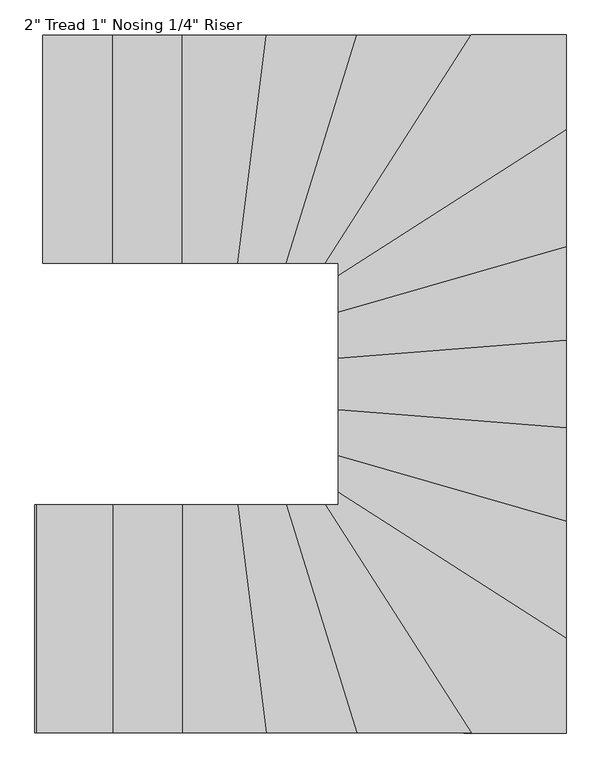
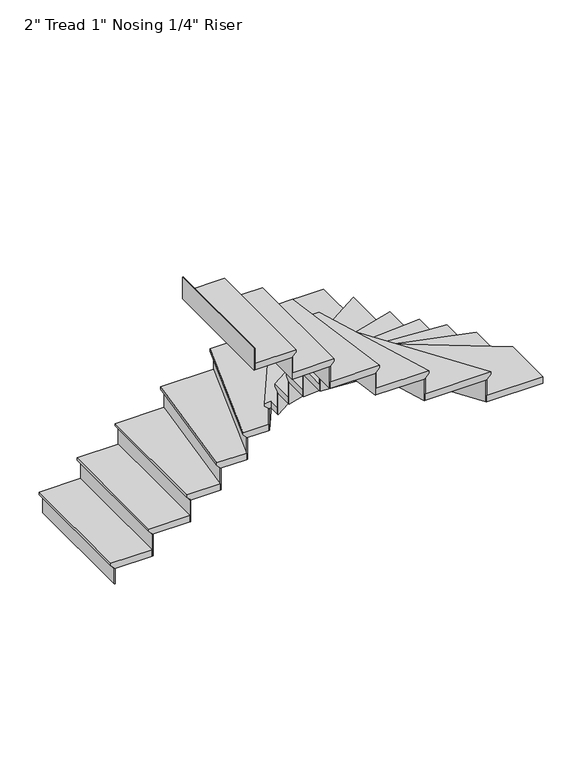
"""IFC4 building model written with IfcOpenShell, lengths in millimetres: stair flight geometry."""

from ifc_helpers import new_model, si_unit, origin, place, context, project, spatial, faceted_brep, source, transform, mapped, element, save


def stair_flight_87310a45(model_context):
    return source(origin(), model_context, "Body", "Brep", [
        faceted_brep([(-952.1417171, 6957.8993219, 169.3333333), (-952.1417171, 6043.4993219, 169.3333333), (-647.3417171, 6043.4993219, 169.3333333), (-647.3417171, 6957.8993219, 169.3333333), (-926.7417171, 6957.8993219, 118.5333333), (-647.3417171, 6957.8993219, 118.5333333), (-647.3417171, 6043.4993219, 118.5333333), (-926.7417171, 6043.4993219, 118.5333333), (-926.7417171, 6957.8993219, 124.8833333), (-952.1417171, 6957.8993219, 150.2833333), (-926.7417171, 6043.4993219, 124.8833333), (-952.1417171, 6043.4993219, 150.2833333)], [[[0, 1, 2, 3]], [[4, 5, 6, 7]], [[0, 3, 5, 4, 8, 9]], [[4, 7, 10, 8]], [[2, 1, 11, 10, 7, 6]], [[3, 2, 6, 5]], [[11, 1, 0, 9]], [[10, 11, 9, 8]]]),
        faceted_brep([(-926.7417171, 6043.4993219, 118.5333333), (-926.7417171, 6043.4993219, 0.0), (-920.3917171, 6043.4993219, 0.0), (-920.3917171, 6043.4993219, 118.5333333), (-926.7417171, 6957.8993219, 118.5333333), (-920.3917171, 6957.8993219, 118.5333333), (-920.3917171, 6957.8993219, 0.0), (-926.7417171, 6957.8993219, 0.0)], [[[0, 1, 2, 3]], [[4, 5, 6, 7]], [[1, 0, 4, 7]], [[2, 1, 7, 6]], [[3, 2, 6, 5]], [[0, 3, 5, 4]]]),
        faceted_brep([(-672.7417171, 6957.8993219, 338.6666667), (-672.7417171, 6043.4993219, 338.6666667), (-367.9417171, 6043.4993219, 338.6666667), (-367.9417171, 6957.8993219, 338.6666667), (-647.3417171, 6957.8993219, 287.8666667), (-367.9417171, 6957.8993219, 287.8666667), (-367.9417171, 6043.4993219, 287.8666667), (-647.3417171, 6043.4993219, 287.8666667), (-647.3417171, 6957.8993219, 294.2166667), (-672.7417171, 6957.8993219, 319.6166667), (-647.3417171, 6043.4993219, 294.2166667), (-672.7417171, 6043.4993219, 319.6166667)], [[[0, 1, 2, 3]], [[4, 5, 6, 7]], [[0, 3, 5, 4, 8, 9]], [[4, 7, 10, 8]], [[2, 1, 11, 10, 7, 6]], [[3, 2, 6, 5]], [[11, 1, 0, 9]], [[10, 11, 9, 8]]]),
        faceted_brep([(-647.3417171, 6043.4993219, 287.8666667), (-647.3417171, 6043.4993219, 118.5333333), (-640.9917171, 6043.4993219, 118.5333333), (-640.9917171, 6043.4993219, 287.8666667), (-647.3417171, 6957.8993219, 287.8666667), (-640.9917171, 6957.8993219, 287.8666667), (-640.9917171, 6957.8993219, 118.5333333), (-647.3417171, 6957.8993219, 118.5333333)], [[[0, 1, 2, 3]], [[4, 5, 6, 7]], [[1, 0, 4, 7]], [[2, 1, 7, 6]], [[3, 2, 6, 5]], [[0, 3, 5, 4]]]),
        faceted_brep([(-393.3417171, 6957.8993219, 508.0), (-393.3417171, 6043.4993219, 508.0), (-145.1579246, 6043.4993219, 508.0), (-31.5348237, 6957.8993219, 508.0), (-367.9417171, 6957.8993219, 457.2), (-31.5348237, 6957.8993219, 457.2), (-145.1579246, 6043.4993219, 457.2), (-367.9417171, 6043.4993219, 457.2), (-367.9417171, 6957.8993219, 463.55), (-393.3417171, 6957.8993219, 488.95), (-367.9417171, 6043.4993219, 463.55), (-393.3417171, 6043.4993219, 488.95)], [[[0, 1, 2, 3]], [[4, 5, 6, 7]], [[0, 3, 5, 4, 8, 9]], [[4, 7, 10, 8]], [[2, 1, 11, 10, 7, 6]], [[3, 2, 6, 5]], [[11, 1, 0, 9]], [[10, 11, 9, 8]]]),
        faceted_brep([(-367.9417171, 6043.4993219, 457.2), (-367.9417171, 6043.4993219, 287.8666667), (-361.5917171, 6043.4993219, 287.8666667), (-361.5917171, 6043.4993219, 457.2), (-367.9417171, 6957.8993219, 457.2), (-361.5917171, 6957.8993219, 457.2), (-361.5917171, 6957.8993219, 287.8666667), (-367.9417171, 6957.8993219, 287.8666667)], [[[0, 1, 2, 3]], [[4, 5, 6, 7]], [[1, 0, 4, 7]], [[2, 1, 7, 6]], [[3, 2, 6, 5]], [[0, 3, 5, 4]]]),
        faceted_brep([(-57.1301667, 6957.8993219, 677.3333333), (-170.7532675, 6043.4993219, 677.3333333), (50.2332369, 6043.4993219, 677.3333333), (333.8711461, 6957.8993219, 677.3333333), (-31.5348237, 6957.8993219, 626.5333333), (333.8711461, 6957.8993219, 626.5333333), (50.2332369, 6043.4993219, 626.5333333), (-145.1579246, 6043.4993219, 626.5333333), (-31.5348237, 6957.8993219, 632.8833333), (-57.1301667, 6957.8993219, 658.2833333), (-145.1579246, 6043.4993219, 632.8833333), (-170.7532675, 6043.4993219, 658.2833333)], [[[0, 1, 2, 3]], [[4, 5, 6, 7]], [[0, 3, 5, 4, 8, 9]], [[4, 7, 10, 8]], [[2, 1, 11, 10, 7, 6]], [[3, 2, 6, 5]], [[11, 1, 0, 9]], [[10, 11, 9, 8]]]),
        faceted_brep([(-145.1579246, 6043.4993219, 626.5333333), (-145.1579246, 6043.4993219, 457.2), (-138.7590888, 6043.4993219, 457.2), (-138.7590888, 6043.4993219, 626.5333333), (-31.5348237, 6957.8993219, 626.5333333), (-25.135988, 6957.8993219, 626.5333333), (-25.135988, 6957.8993219, 457.2), (-31.5348237, 6957.8993219, 457.2)], [[[0, 1, 2, 3]], [[4, 5, 6, 7]], [[1, 0, 4, 7]], [[2, 1, 7, 6]], [[3, 2, 6, 5]], [[0, 3, 5, 4]]]),
        faceted_brep([(307.2772375, 6957.8993219, 846.6666667), (23.6393283, 6043.4993219, 846.6666667), (210.4309058, 6043.4993219, 846.6666667), (795.0303412, 6957.8993219, 846.6666667), (333.8711461, 6957.8993219, 795.8666667), (795.0303412, 6957.8993219, 795.8666667), (210.4309058, 6043.4993219, 795.8666667), (50.2332369, 6043.4993219, 795.8666667), (333.8711461, 6957.8993219, 802.2166667), (307.2772375, 6957.8993219, 827.6166667), (50.2332369, 6043.4993219, 802.2166667), (23.6393283, 6043.4993219, 827.6166667)], [[[0, 1, 2, 3]], [[4, 5, 6, 7]], [[0, 3, 5, 4, 8, 9]], [[4, 7, 10, 8]], [[2, 1, 11, 10, 7, 6]], [[3, 2, 6, 5]], [[11, 1, 0, 9]], [[10, 11, 9, 8]]]),
        faceted_brep([(50.2332369, 6043.4993219, 795.8666667), (50.2332369, 6043.4993219, 626.5333333), (56.8817141, 6043.4993219, 626.5333333), (56.8817141, 6043.4993219, 795.8666667), (333.8711461, 6957.8993219, 795.8666667), (340.5196232, 6957.8993219, 795.8666667), (340.5196232, 6957.8993219, 626.5333333), (333.8711461, 6957.8993219, 626.5333333)], [[[0, 1, 2, 3]], [[4, 5, 6, 7]], [[1, 0, 4, 7]], [[2, 1, 7, 6]], [[3, 2, 6, 5]], [[0, 3, 5, 4]]]),
        faceted_brep([(1145.5952724, 6547.0397474, 1016.0), (1145.5952724, 6957.8993219, 1016.0), (764.8830196, 6957.8993219, 1016.0), (180.2835841, 6043.4993219, 1016.0), (231.1952724, 6043.4993219, 1016.0), (231.1952724, 5962.440312, 1016.0), (1145.5952724, 6957.8993219, 965.2), (1145.5952724, 6547.0397474, 965.2), (231.1952724, 5962.440312, 965.2), (231.1952724, 6043.4993219, 965.2), (210.4309058, 6043.4993219, 965.2), (795.0303412, 6957.8993219, 965.2), (795.0303412, 6957.8993219, 971.55), (764.8830196, 6957.8993219, 996.95), (210.4309058, 6043.4993219, 971.55), (180.2835841, 6043.4993219, 996.95)], [[[0, 1, 2, 3, 4, 5]], [[6, 7, 8, 9, 10, 11]], [[1, 0, 7, 6]], [[2, 1, 6, 11, 12, 13]], [[11, 10, 14, 12]], [[4, 3, 15, 14, 10, 9]], [[5, 4, 9, 8]], [[0, 5, 8, 7]], [[15, 3, 2, 13]], [[14, 15, 13, 12]]]),
        faceted_brep([(210.4309058, 6043.4993219, 965.2), (210.4309058, 6043.4993219, 795.8666667), (217.9677362, 6043.4993219, 795.8666667), (217.9677362, 6043.4993219, 965.2), (795.0303412, 6957.8993219, 965.2), (802.5671716, 6957.8993219, 965.2), (802.5671716, 6957.8993219, 795.8666667), (795.0303412, 6957.8993219, 795.8666667)], [[[0, 1, 2, 3]], [[4, 5, 6, 7]], [[1, 0, 4, 7]], [[2, 1, 7, 6]], [[3, 2, 6, 5]], [[0, 3, 5, 4]]]),
        faceted_brep([(1145.5952724, 6577.1870691, 1185.3333333), (231.1952724, 5992.5876337, 1185.3333333), (231.1952724, 5819.5237038, 1185.3333333), (1145.5952724, 6083.1321285, 1185.3333333), (1145.5952724, 6547.0397474, 1134.5333333), (1145.5952724, 6083.1321285, 1134.5333333), (231.1952724, 5819.5237038, 1134.5333333), (231.1952724, 5962.440312, 1134.5333333), (1145.5952724, 6547.0397474, 1140.8833333), (1145.5952724, 6577.1870691, 1166.2833333), (231.1952724, 5962.440312, 1140.8833333), (231.1952724, 5992.5876337, 1166.2833333)], [[[0, 1, 2, 3]], [[4, 5, 6, 7]], [[0, 3, 5, 4, 8, 9]], [[4, 7, 10, 8]], [[2, 1, 11, 10, 7, 6]], [[3, 2, 6, 5]], [[11, 1, 0, 9]], [[10, 11, 9, 8]]]),
        faceted_brep([(231.1952724, 5962.440312, 1134.5333333), (231.1952724, 5962.440312, 965.2), (231.1952724, 5954.9034816, 965.2), (231.1952724, 5954.9034816, 1134.5333333), (1145.5952724, 6547.0397474, 1134.5333333), (1145.5952724, 6539.502917, 1134.5333333), (1145.5952724, 6539.502917, 965.2), (1145.5952724, 6547.0397474, 965.2)], [[[0, 1, 2, 3]], [[4, 5, 6, 7]], [[1, 0, 4, 7]], [[2, 1, 7, 6]], [[3, 2, 6, 5]], [[0, 3, 5, 4]]]),
        faceted_brep([(1145.5952724, 6109.5665448, 1354.6666667), (231.1952724, 5845.9581201, 1354.6666667), (231.1952724, 5636.831042, 1354.6666667), (1145.5952724, 5708.9359282, 1354.6666667), (1145.5952724, 6083.1321285, 1303.8666667), (1145.5952724, 5708.9359282, 1303.8666667), (231.1952724, 5636.831042, 1303.8666667), (231.1952724, 5819.5237038, 1303.8666667), (1145.5952724, 6083.1321285, 1310.2166667), (1145.5952724, 6109.5665448, 1335.6166667), (231.1952724, 5819.5237038, 1310.2166667), (231.1952724, 5845.9581201, 1335.6166667)], [[[0, 1, 2, 3]], [[4, 5, 6, 7]], [[0, 3, 5, 4, 8, 9]], [[4, 7, 10, 8]], [[2, 1, 11, 10, 7, 6]], [[3, 2, 6, 5]], [[11, 1, 0, 9]], [[10, 11, 9, 8]]]),
        faceted_brep([(231.1952724, 5819.5237038, 1303.8666667), (231.1952724, 5819.5237038, 1134.5333333), (231.1952724, 5812.9150997, 1134.5333333), (231.1952724, 5812.9150997, 1303.8666667), (1145.5952724, 6083.1321285, 1303.8666667), (1145.5952724, 6076.5235244, 1303.8666667), (1145.5952724, 6076.5235244, 1134.5333333), (1145.5952724, 6083.1321285, 1134.5333333)], [[[0, 1, 2, 3]], [[4, 5, 6, 7]], [[1, 0, 4, 7]], [[2, 1, 7, 6]], [[3, 2, 6, 5]], [[0, 3, 5, 4]]]),
        faceted_brep([(1145.5952724, 5734.4147755, 1524.0), (231.1952724, 5662.3098894, 1524.0), (231.1952724, 5429.5359282, 1524.0), (1145.5952724, 5357.431042, 1524.0), (1145.5952724, 5708.9359282, 1473.2), (1145.5952724, 5357.431042, 1473.2), (231.1952724, 5429.5359282, 1473.2), (231.1952724, 5636.831042, 1473.2), (1145.5952724, 5708.9359282, 1479.55), (1145.5952724, 5734.4147755, 1504.95), (231.1952724, 5636.831042, 1479.55), (231.1952724, 5662.3098894, 1504.95)], [[[0, 1, 2, 3]], [[4, 5, 6, 7]], [[0, 3, 5, 4, 8, 9]], [[4, 7, 10, 8]], [[2, 1, 11, 10, 7, 6]], [[3, 2, 6, 5]], [[11, 1, 0, 9]], [[10, 11, 9, 8]]]),
        faceted_brep([(231.1952724, 5636.831042, 1473.2), (231.1952724, 5636.831042, 1303.8666667), (231.1952724, 5630.4613302, 1303.8666667), (231.1952724, 5630.4613302, 1473.2), (1145.5952724, 5708.9359282, 1473.2), (1145.5952724, 5702.5662163, 1473.2), (1145.5952724, 5702.5662163, 1303.8666667), (1145.5952724, 5708.9359282, 1303.8666667)], [[[0, 1, 2, 3]], [[4, 5, 6, 7]], [[1, 0, 4, 7]], [[2, 1, 7, 6]], [[3, 2, 6, 5]], [[0, 3, 5, 4]]]),
        faceted_brep([(1145.5952724, 5382.9098894, 1693.3333333), (231.1952724, 5455.0147755, 1693.3333333), (231.1952724, 5244.9321285, 1693.3333333), (1145.5952724, 4981.3237038, 1693.3333333), (1145.5952724, 5357.431042, 1642.5333333), (1145.5952724, 4981.3237038, 1642.5333333), (231.1952724, 5244.9321285, 1642.5333333), (231.1952724, 5429.5359282, 1642.5333333), (1145.5952724, 5357.431042, 1648.8833333), (1145.5952724, 5382.9098894, 1674.2833333), (231.1952724, 5429.5359282, 1648.8833333), (231.1952724, 5455.0147755, 1674.2833333)], [[[0, 1, 2, 3]], [[4, 5, 6, 7]], [[0, 3, 5, 4, 8, 9]], [[4, 7, 10, 8]], [[2, 1, 11, 10, 7, 6]], [[3, 2, 6, 5]], [[11, 1, 0, 9]], [[10, 11, 9, 8]]]),
        faceted_brep([(231.1952724, 5429.5359282, 1642.5333333), (231.1952724, 5429.5359282, 1473.2), (231.1952724, 5423.1662163, 1473.2), (231.1952724, 5423.1662163, 1642.5333333), (1145.5952724, 5357.431042, 1642.5333333), (1145.5952724, 5351.0613302, 1642.5333333), (1145.5952724, 5351.0613302, 1473.2), (1145.5952724, 5357.431042, 1473.2)], [[[0, 1, 2, 3]], [[4, 5, 6, 7]], [[1, 0, 4, 7]], [[2, 1, 7, 6]], [[3, 2, 6, 5]], [[0, 3, 5, 4]]]),
        faceted_brep([(1145.5952724, 5007.7581201, 1862.6666667), (231.1952724, 5271.3665448, 1862.6666667), (231.1952724, 5094.5897095, 1862.6666667), (1145.5952724, 4509.9902741, 1862.6666667), (1145.5952724, 4981.3237038, 1811.8666667), (1145.5952724, 4509.9902741, 1811.8666667), (231.1952724, 5094.5897095, 1811.8666667), (231.1952724, 5244.9321285, 1811.8666667), (1145.5952724, 4981.3237038, 1818.2166667), (1145.5952724, 5007.7581201, 1843.6166667), (231.1952724, 5244.9321285, 1818.2166667), (231.1952724, 5271.3665448, 1843.6166667)], [[[0, 1, 2, 3]], [[4, 5, 6, 7]], [[0, 3, 5, 4, 8, 9]], [[4, 7, 10, 8]], [[2, 1, 11, 10, 7, 6]], [[3, 2, 6, 5]], [[11, 1, 0, 9]], [[10, 11, 9, 8]]]),
        faceted_brep([(231.1952724, 5244.9321285, 1811.8666667), (231.1952724, 5244.9321285, 1642.5333333), (231.1952724, 5238.3235244, 1642.5333333), (231.1952724, 5238.3235244, 1811.8666667), (1145.5952724, 4981.3237038, 1811.8666667), (1145.5952724, 4974.7150997, 1811.8666667), (1145.5952724, 4974.7150997, 1642.5333333), (1145.5952724, 4981.3237038, 1642.5333333)], [[[0, 1, 2, 3]], [[4, 5, 6, 7]], [[1, 0, 4, 7]], [[2, 1, 7, 6]], [[3, 2, 6, 5]], [[0, 3, 5, 4]]]),
        faceted_brep([(734.7356979, 4159.4253429, 2032.0), (1145.5952724, 4159.4253429, 2032.0), (1145.5952724, 4540.1375958, 2032.0), (231.1952724, 5124.7370312, 2032.0), (231.1952724, 5073.8253429, 2032.0), (150.1362625, 5073.8253429, 2032.0), (1145.5952724, 4159.4253429, 1981.2), (734.7356979, 4159.4253429, 1981.2), (150.1362625, 5073.8253429, 1981.2), (231.1952724, 5073.8253429, 1981.2), (231.1952724, 5094.5897095, 1981.2), (1145.5952724, 4509.9902741, 1981.2), (1145.5952724, 4509.9902741, 1987.55), (1145.5952724, 4540.1375958, 2012.95), (231.1952724, 5094.5897095, 1987.55), (231.1952724, 5124.7370312, 2012.95)], [[[0, 1, 2, 3, 4, 5]], [[6, 7, 8, 9, 10, 11]], [[1, 0, 7, 6]], [[2, 1, 6, 11, 12, 13]], [[11, 10, 14, 12]], [[4, 3, 15, 14, 10, 9]], [[5, 4, 9, 8]], [[0, 5, 8, 7]], [[15, 3, 2, 13]], [[14, 15, 13, 12]]]),
        faceted_brep([(231.1952724, 5094.5897095, 1981.2), (231.1952724, 5094.5897095, 1811.8666667), (231.1952724, 5087.0528791, 1811.8666667), (231.1952724, 5087.0528791, 1981.2), (1145.5952724, 4509.9902741, 1981.2), (1145.5952724, 4502.4534437, 1981.2), (1145.5952724, 4502.4534437, 1811.8666667), (1145.5952724, 4509.9902741, 1811.8666667)], [[[0, 1, 2, 3]], [[4, 5, 6, 7]], [[1, 0, 4, 7]], [[2, 1, 7, 6]], [[3, 2, 6, 5]], [[0, 3, 5, 4]]]),
        faceted_brep([(764.8830196, 4159.4253429, 2201.3333333), (180.2835841, 5073.8253429, 2201.3333333), (-2.9545803, 5073.8253429, 2201.3333333), (280.6833289, 4159.4253429, 2201.3333333), (734.7356979, 4159.4253429, 2150.5333333), (280.6833289, 4159.4253429, 2150.5333333), (-2.9545803, 5073.8253429, 2150.5333333), (150.1362625, 5073.8253429, 2150.5333333), (734.7356979, 4159.4253429, 2156.8833333), (764.8830196, 4159.4253429, 2182.2833333), (150.1362625, 5073.8253429, 2156.8833333), (180.2835841, 5073.8253429, 2182.2833333)], [[[0, 1, 2, 3]], [[4, 5, 6, 7]], [[0, 3, 5, 4, 8, 9]], [[4, 7, 10, 8]], [[2, 1, 11, 10, 7, 6]], [[3, 2, 6, 5]], [[11, 1, 0, 9]], [[10, 11, 9, 8]]]),
        faceted_brep([(150.1362625, 5073.8253429, 2150.5333333), (150.1362625, 5073.8253429, 1981.2), (142.5994321, 5073.8253429, 1981.2), (142.5994321, 5073.8253429, 2150.5333333), (734.7356979, 4159.4253429, 2150.5333333), (727.1988675, 4159.4253429, 2150.5333333), (727.1988675, 4159.4253429, 1981.2), (734.7356979, 4159.4253429, 1981.2)], [[[0, 1, 2, 3]], [[4, 5, 6, 7]], [[1, 0, 4, 7]], [[2, 1, 7, 6]], [[3, 2, 6, 5]], [[0, 3, 5, 4]]]),
        faceted_brep([(307.2772375, 4159.4253429, 2370.6666667), (23.6393283, 5073.8253429, 2370.6666667), (-196.3486105, 5073.8253429, 2370.6666667), (-82.7255097, 4159.4253429, 2370.6666667), (280.6833289, 4159.4253429, 2319.8666667), (-82.7255097, 4159.4253429, 2319.8666667), (-196.3486105, 5073.8253429, 2319.8666667), (-2.9545803, 5073.8253429, 2319.8666667), (280.6833289, 4159.4253429, 2326.2166667), (307.2772375, 4159.4253429, 2351.6166667), (-2.9545803, 5073.8253429, 2326.2166667), (23.6393283, 5073.8253429, 2351.6166667)], [[[0, 1, 2, 3]], [[4, 5, 6, 7]], [[0, 3, 5, 4, 8, 9]], [[4, 7, 10, 8]], [[2, 1, 11, 10, 7, 6]], [[3, 2, 6, 5]], [[11, 1, 0, 9]], [[10, 11, 9, 8]]]),
        faceted_brep([(-2.9545803, 5073.8253429, 2319.8666667), (-2.9545803, 5073.8253429, 2150.5333333), (-9.6030574, 5073.8253429, 2150.5333333), (-9.6030574, 5073.8253429, 2319.8666667), (280.6833289, 4159.4253429, 2319.8666667), (274.0348517, 4159.4253429, 2319.8666667), (274.0348517, 4159.4253429, 2150.5333333), (280.6833289, 4159.4253429, 2150.5333333)], [[[0, 1, 2, 3]], [[4, 5, 6, 7]], [[1, 0, 4, 7]], [[2, 1, 7, 6]], [[3, 2, 6, 5]], [[0, 3, 5, 4]]]),
        faceted_brep([(-57.1301667, 4159.4253429, 2540.0), (-170.7532675, 5073.8253429, 2540.0), (-418.7417171, 5073.8253429, 2540.0), (-418.7417171, 4159.4253429, 2540.0), (-82.7255097, 4159.4253429, 2489.2), (-418.7417171, 4159.4253429, 2489.2), (-418.7417171, 5073.8253429, 2489.2), (-196.3486105, 5073.8253429, 2489.2), (-82.7255097, 4159.4253429, 2495.55), (-57.1301667, 4159.4253429, 2520.95), (-196.3486105, 5073.8253429, 2495.55), (-170.7532675, 5073.8253429, 2520.95)], [[[0, 1, 2, 3]], [[4, 5, 6, 7]], [[0, 3, 5, 4, 8, 9]], [[4, 7, 10, 8]], [[2, 1, 11, 10, 7, 6]], [[3, 2, 6, 5]], [[11, 1, 0, 9]], [[10, 11, 9, 8]]]),
        faceted_brep([(-196.3486105, 5073.8253429, 2489.2), (-196.3486105, 5073.8253429, 2319.8666667), (-202.7474462, 5073.8253429, 2319.8666667), (-202.7474462, 5073.8253429, 2489.2), (-82.7255097, 4159.4253429, 2489.2), (-89.1243454, 4159.4253429, 2489.2), (-89.1243454, 4159.4253429, 2319.8666667), (-82.7255097, 4159.4253429, 2319.8666667)], [[[0, 1, 2, 3]], [[4, 5, 6, 7]], [[1, 0, 4, 7]], [[2, 1, 7, 6]], [[3, 2, 6, 5]], [[0, 3, 5, 4]]]),
        faceted_brep([(-393.3417171, 4159.4253429, 2709.3333333), (-393.3417171, 5073.8253429, 2709.3333333), (-698.1417171, 5073.8253429, 2709.3333333), (-698.1417171, 4159.4253429, 2709.3333333), (-418.7417171, 4159.4253429, 2658.5333333), (-698.1417171, 4159.4253429, 2658.5333333), (-698.1417171, 5073.8253429, 2658.5333333), (-418.7417171, 5073.8253429, 2658.5333333), (-418.7417171, 4159.4253429, 2664.8833333), (-393.3417171, 4159.4253429, 2690.2833333), (-418.7417171, 5073.8253429, 2664.8833333), (-393.3417171, 5073.8253429, 2690.2833333)], [[[0, 1, 2, 3]], [[4, 5, 6, 7]], [[0, 3, 5, 4, 8, 9]], [[4, 7, 10, 8]], [[2, 1, 11, 10, 7, 6]], [[3, 2, 6, 5]], [[11, 1, 0, 9]], [[10, 11, 9, 8]]]),
        faceted_brep([(-418.7417171, 5073.8253429, 2658.5333333), (-418.7417171, 5073.8253429, 2489.2), (-425.0917171, 5073.8253429, 2489.2), (-425.0917171, 5073.8253429, 2658.5333333), (-418.7417171, 4159.4253429, 2658.5333333), (-425.0917171, 4159.4253429, 2658.5333333), (-425.0917171, 4159.4253429, 2489.2), (-418.7417171, 4159.4253429, 2489.2)], [[[0, 1, 2, 3]], [[4, 5, 6, 7]], [[1, 0, 4, 7]], [[2, 1, 7, 6]], [[3, 2, 6, 5]], [[0, 3, 5, 4]]]),
        faceted_brep([(-672.7417171, 4159.4253429, 2878.6666667), (-672.7417171, 5073.8253429, 2878.6666667), (-977.5417171, 5073.8253429, 2878.6666667), (-977.5417171, 4159.4253429, 2878.6666667), (-698.1417171, 4159.4253429, 2827.8666667), (-977.5417171, 4159.4253429, 2827.8666667), (-977.5417171, 5073.8253429, 2827.8666667), (-698.1417171, 5073.8253429, 2827.8666667), (-698.1417171, 4159.4253429, 2834.2166667), (-672.7417171, 4159.4253429, 2859.6166667), (-698.1417171, 5073.8253429, 2834.2166667), (-672.7417171, 5073.8253429, 2859.6166667)], [[[0, 1, 2, 3]], [[4, 5, 6, 7]], [[0, 3, 5, 4, 8, 9]], [[4, 7, 10, 8]], [[2, 1, 11, 10, 7, 6]], [[3, 2, 6, 5]], [[11, 1, 0, 9]], [[10, 11, 9, 8]]]),
        faceted_brep([(-698.1417171, 5073.8253429, 2827.8666667), (-698.1417171, 5073.8253429, 2658.5333333), (-704.4917171, 5073.8253429, 2658.5333333), (-704.4917171, 5073.8253429, 2827.8666667), (-698.1417171, 4159.4253429, 2827.8666667), (-704.4917171, 4159.4253429, 2827.8666667), (-704.4917171, 4159.4253429, 2658.5333333), (-698.1417171, 4159.4253429, 2658.5333333)], [[[0, 1, 2, 3]], [[4, 5, 6, 7]], [[1, 0, 4, 7]], [[2, 1, 7, 6]], [[3, 2, 6, 5]], [[0, 3, 5, 4]]]),
        faceted_brep([(-977.5417171, 5073.8253429, 2997.2), (-977.5417171, 5073.8253429, 2827.8666667), (-983.8917171, 5073.8253429, 2827.8666667), (-983.8917171, 5073.8253429, 2997.2), (-977.5417171, 4159.4253429, 2997.2), (-983.8917171, 4159.4253429, 2997.2), (-983.8917171, 4159.4253429, 2827.8666667), (-977.5417171, 4159.4253429, 2827.8666667)], [[[0, 1, 2, 3]], [[4, 5, 6, 7]], [[1, 0, 4, 7]], [[2, 1, 7, 6]], [[3, 2, 6, 5]], [[0, 3, 5, 4]]]),
    ])


if __name__ == "__main__":
    model = new_model("IFC4")
    model_context = context("Model", 3, world=origin())
    ifc_project = project(units=[si_unit("LENGTHUNIT", "METRE", prefix="MILLI")], contexts=[model_context])
    site = spatial("IfcSite", under=ifc_project)
    building = spatial("IfcBuilding", under=site)
    placement = place(None, origin())
    stair_flight_shape = stair_flight_87310a45(model_context)
    element("IfcStairFlight", 1, ObjectType="2\" Tread 1\" Nosing 1/4\" Riser", at=placement, inside=building, context=model_context, shape_type="MappedRepresentation", body=[
        mapped(stair_flight_shape, transform((0.0, 0.0, 0.0), x_axis=(1.0, 0.0, 0.0), y_axis=(0.0, 1.0, 0.0), z_axis=(0.0, 0.0, 1.0))),
    ])
    save(model, "model.ifc")
